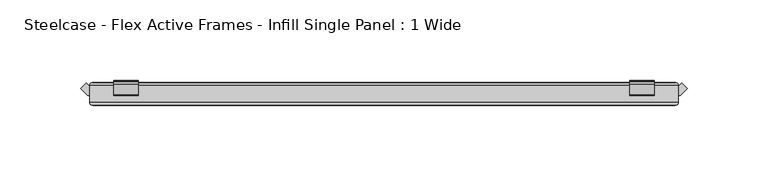
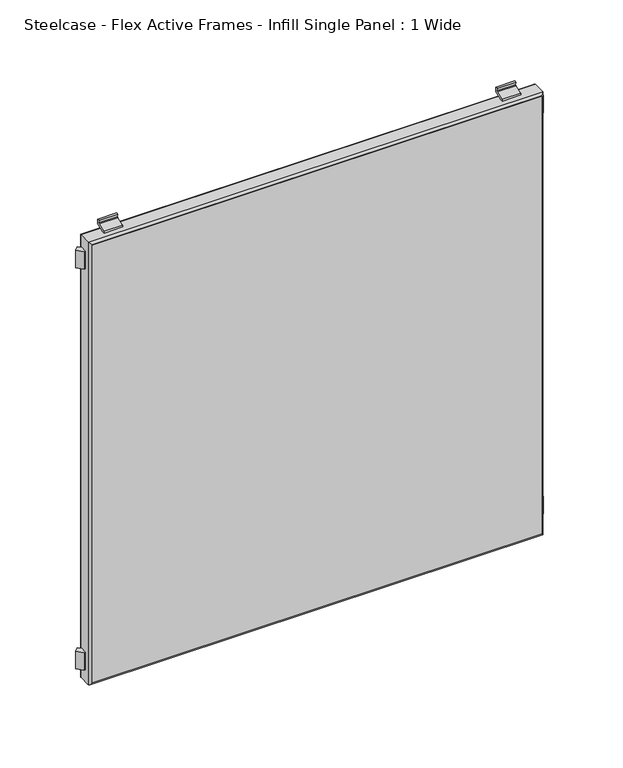
"""IFC4 building model written with IfcOpenShell, lengths in millimetres: furniture geometry, Steelcase - Flex Active Frames - Infill Single Panel : 1 Wide."""

import ifcopenshell
import ifcopenshell.guid

model = None  # the IFC model being written
_history = None  # IfcOwnerHistory: only IFC2X3 demands one
_inside = {}  # id of a spatial element -> (the spatial element, [elements in it])
_under = {}  # id of a project, library or spatial element -> (it, [spatial elements below it])
_declared = {}  # id of a project -> (the project, [libraries it declares])
_typed = {}  # id of a type object -> (the type object, [elements of that type])
_made_of = {}  # id of a material, layer set ... -> (it, [elements and type objects made of it])


def new_model(schema):
    """Start an empty IFC model of exactly this schema.

    Asked for "IFC4X3", IfcOpenShell would pick the latest addendum, in which some entities
    have other attributes; the version numbers below select the first issue.
    IFC2X3 requires an IfcOwnerHistory on every rooted entity: one is made here for all.
    """
    global model, _history
    if schema == "IFC4X3":
        model = ifcopenshell.file(schema_version=(4, 3, 0, 0))
    else:
        model = ifcopenshell.file(schema=schema)
    _inside.clear()
    _under.clear()
    _declared.clear()
    _typed.clear()
    _made_of.clear()
    _history = None
    if model.schema == "IFC2X3":
        org = make("IfcOrganization", Name="unknown")
        user = make(
            "IfcPersonAndOrganization",
            ThePerson=make("IfcPerson", FamilyName="unknown"),
            TheOrganization=org,
        )
        app = make(
            "IfcApplication",
            ApplicationDeveloper=org,
            Version="unknown",
            ApplicationFullName="unknown",
            ApplicationIdentifier="unknown",
        )
        _history = make(
            "IfcOwnerHistory",
            OwningUser=user,
            OwningApplication=app,
            ChangeAction="ADDED",
            CreationDate=0,
        )
    return model


def make(cls, **values):
    """One entity of the class cls with the attributes given. An attribute that is None is left unset."""
    return model.create_entity(
        cls, **{name: value for name, value in values.items() if value is not None}
    )


def rooted(cls, **values):
    """An entity with a GlobalId (a new one), such as an element, a storey or a relation."""
    return make(cls, GlobalId=ifcopenshell.guid.new(), OwnerHistory=_history, **values)


def si_unit(unit_type, name, prefix=None):
    """IfcSIUnit, for example si_unit("LENGTHUNIT", "METRE", prefix="MILLI")."""
    return make("IfcSIUnit", UnitType=unit_type, Prefix=prefix, Name=name)


def assignment(units):
    """IfcUnitAssignment: the units of a project."""
    return None if units is None else make("IfcUnitAssignment", Units=units)


def point(xyz):
    """IfcCartesianPoint."""
    return None if xyz is None else make("IfcCartesianPoint", Coordinates=xyz)


def direction(xyz):
    """IfcDirection."""
    return None if xyz is None else make("IfcDirection", DirectionRatios=xyz)


def frame(location, z_axis=None, x_axis=None):
    """IfcAxis2Placement3D, a coordinate frame: its origin and axes. An axis left out is left unset."""
    return make(
        "IfcAxis2Placement3D",
        Location=point(location),
        Axis=direction(z_axis),
        RefDirection=direction(x_axis),
    )


def frame_2d(location, x_axis=None):
    """IfcAxis2Placement2D, a coordinate frame in the plane: its origin and x axis."""
    return make(
        "IfcAxis2Placement2D", Location=point(location), RefDirection=direction(x_axis)
    )


def origin():
    """The frame at (0, 0, 0) with its axes left unset."""
    return frame((0.0, 0.0, 0.0))


def place(relative_to, where):
    """IfcLocalPlacement: puts the frame where relative to a parent placement (None: the world)."""
    return make(
        "IfcLocalPlacement", PlacementRelTo=relative_to, RelativePlacement=where
    )


def context(
    kind, dimensions, precision=None, world=None, true_north=None, identifier=None
):
    """IfcGeometricRepresentationContext, for example the 3D "Model" context."""
    return make(
        "IfcGeometricRepresentationContext",
        ContextIdentifier=identifier,
        ContextType=kind,
        CoordinateSpaceDimension=dimensions,
        Precision=precision,
        WorldCoordinateSystem=world,
        TrueNorth=true_north,
    )


def project(units=None, contexts=None):
    """IfcProject with its units and contexts."""
    return rooted(
        "IfcProject",
        Name="project",
        RepresentationContexts=contexts,
        UnitsInContext=assignment(units),
    )


def spatial(cls, under=None, at=None, **own):
    """A site, building, storey or space (cls), placed at a placement, below another one or the project."""
    s = rooted(cls, ObjectPlacement=at, **own)
    if under is not None:
        _under.setdefault(under.id(), (under, []))[1].append(s)
    return s


def polyline(points):
    """IfcPolyline through the points."""
    return make("IfcPolyline", Points=[point(p) for p in points])


def circle_curve(where, radius):
    """IfcCircle in the frame where."""
    return make("IfcCircle", Position=where, Radius=radius)


def ellipse_curve(where, semi_axis1, semi_axis2):
    """IfcEllipse in the frame where."""
    return make(
        "IfcEllipse", Position=where, SemiAxis1=semi_axis1, SemiAxis2=semi_axis2
    )


def trimmed(basis, trim1, trim2, sense, master):
    """IfcTrimmedCurve: the piece of a basis curve between two trims."""
    return make(
        "IfcTrimmedCurve",
        BasisCurve=basis,
        Trim1=trim1,
        Trim2=trim2,
        SenseAgreement=sense,
        MasterRepresentation=master,
    )


def segment(curve, same_sense, transition):
    """IfcCompositeCurveSegment."""
    return make(
        "IfcCompositeCurveSegment",
        Transition=transition,
        SameSense=same_sense,
        ParentCurve=curve,
    )


def composite_curve(segments, self_intersect=None):
    """IfcCompositeCurve: segments joined end to end."""
    return make("IfcCompositeCurve", Segments=segments, SelfIntersect=self_intersect)


def outline(outer, holes=None, kind="AREA"):
    """IfcArbitraryClosedProfileDef: a profile drawn as a closed curve; with holes, ...WithVoids."""
    if holes is None:
        return make("IfcArbitraryClosedProfileDef", ProfileType=kind, OuterCurve=outer)
    return make(
        "IfcArbitraryProfileDefWithVoids",
        ProfileType=kind,
        OuterCurve=outer,
        InnerCurves=holes,
    )


def extrude(swept, where, along, depth):
    """IfcExtrudedAreaSolid: the profile swept, set in the frame where, extruded along a direction by depth."""
    return make(
        "IfcExtrudedAreaSolid",
        SweptArea=swept,
        Position=where,
        ExtrudedDirection=direction(along),
        Depth=depth,
    )


def shape(context_of_items, identifier, shape_type, items):
    """IfcShapeRepresentation: the items that make up one representation, for example the "Body"."""
    return make(
        "IfcShapeRepresentation",
        ContextOfItems=context_of_items,
        RepresentationIdentifier=identifier,
        RepresentationType=shape_type,
        Items=items,
    )


def source(mapping_origin, context_of_items, identifier, shape_type, items):
    """IfcRepresentationMap: a shape defined once, which mapped items show again and again."""
    return make(
        "IfcRepresentationMap",
        MappingOrigin=mapping_origin,
        MappedRepresentation=shape(context_of_items, identifier, shape_type, items),
    )


def transform(
    local_origin,
    x_axis=None,
    y_axis=None,
    z_axis=None,
    scale=None,
    scale2=None,
    scale3=None,
    uniform=True,
):
    """IfcCartesianTransformationOperator3D, or its non-uniform kind. x_axis, y_axis, z_axis: its Axis1, 2, 3."""
    if uniform:
        return make(
            "IfcCartesianTransformationOperator3D",
            Axis1=direction(x_axis),
            Axis2=direction(y_axis),
            LocalOrigin=point(local_origin),
            Scale=scale,
            Axis3=direction(z_axis),
        )
    return make(
        "IfcCartesianTransformationOperator3DnonUniform",
        Axis1=direction(x_axis),
        Axis2=direction(y_axis),
        LocalOrigin=point(local_origin),
        Scale=scale,
        Axis3=direction(z_axis),
        Scale2=scale2,
        Scale3=scale3,
    )


def mapped(mapping_source, mapping_target):
    """IfcMappedItem: shows the shape of a source again, moved by a transform."""
    return make(
        "IfcMappedItem", MappingSource=mapping_source, MappingTarget=mapping_target
    )


def made_of(thing, what):
    """Note that an element or type object is made of a material, layer set ...; save() writes the relation."""
    if what is not None:
        _made_of.setdefault(what.id(), (what, []))[1].append(thing)
    return thing


def element(
    cls,
    number,
    at=None,
    inside=None,
    cuts=None,
    type_object=None,
    material=None,
    context=None,
    identifier="Body",
    shape_type=None,
    held_by="IfcProductDefinitionShape",
    body=None,
    shapes=None,
    **own,
):
    """One element of the class cls, such as IfcWall. Its Tag is "e" and its number.

    at: its placement. inside: the storey or other place that contains it. cuts: it is an
    opening in that element (IfcRelVoidsElement). A single representation is given by context,
    identifier, shape_type and body (its items); several are given by shapes. held_by: the class
    of the entity that holds the representations. save() writes the other relations.
    """
    e = rooted(cls, Tag="e%d" % number, ObjectPlacement=at, **own)
    if body is not None:
        shapes = [shape(context, identifier, shape_type, body)]
    if shapes is not None:
        e.Representation = make(held_by, Representations=shapes)
    if inside is not None:
        _inside.setdefault(inside.id(), (inside, []))[1].append(e)
    if cuts is not None:
        rooted(
            "IfcRelVoidsElement", RelatingBuildingElement=cuts, RelatedOpeningElement=e
        )
    if type_object is not None:
        _typed.setdefault(type_object.id(), (type_object, []))[1].append(e)
    return made_of(e, material)


def aggregate(whole, parts):
    """IfcRelAggregates: a whole, such as a stair, and the parts it consists of."""
    return rooted("IfcRelAggregates", RelatingObject=whole, RelatedObjects=parts)


def save(model, path):
    """Write the relations noted so far, then the file.

    IfcRelAggregates (storeys below a building ...), IfcRelContainedInSpatialStructure (elements
    in a storey), IfcRelDefinesByType, IfcRelAssociatesMaterial and IfcRelDeclares: one each for
    every whole, place, type object, material and project.
    """
    for whole, parts in _under.values():
        aggregate(whole, parts)
    for where, things in _inside.values():
        rooted(
            "IfcRelContainedInSpatialStructure",
            RelatedElements=things,
            RelatingStructure=where,
        )
    for kind, things in _typed.values():
        rooted("IfcRelDefinesByType", RelatedObjects=things, RelatingType=kind)
    for what, things in _made_of.values():
        rooted("IfcRelAssociatesMaterial", RelatedObjects=things, RelatingMaterial=what)
    for by, libraries in _declared.values():
        rooted("IfcRelDeclares", RelatingContext=by, RelatedDefinitions=libraries)
    model.write(path)


def plane_surface(at):
    """IfcPlane: the flat surface through the origin of the frame at, square to its z axis."""
    return make("IfcPlane", Position=at)


def cylinder_surface(at, radius):
    """IfcCylindricalSurface: all points at the distance radius from the z axis of the frame at."""
    return make("IfcCylindricalSurface", Position=at, Radius=radius)


def advanced_brep(points, edges, surfaces, faces):
    """IfcAdvancedBrep: a solid bounded by faces that lie on surfaces and meet in shared edges.

    An edge is (start, end): straight between two places in points (the first is 0);
    or (start, end, curve); or (start, end, curve, False) where it runs against its curve.
    A face is (place in surfaces, loops), or (place, loops, False) where it looks against
    its surface's normal. A loop lists edges by number (the first is 1), with a minus sign
    where the edge is run from its end to its start. The first loop is the outer one.
    """
    corners = [point(p) for p in points]
    vertices = [make("IfcVertexPoint", VertexGeometry=c) for c in corners]
    made = []
    for start, end, *more in edges:
        made.append(
            make(
                "IfcEdgeCurve",
                EdgeStart=vertices[start],
                EdgeEnd=vertices[end],
                EdgeGeometry=more[0] if more else make("IfcPolyline", Points=[corners[start], corners[end]]),
                SameSense=more[1] if len(more) > 1 else True,
            )
        )
    hull = []
    for where, loops, *sense in faces:
        bounds = []
        for j, loop in enumerate(loops):
            ring = [make("IfcOrientedEdge", EdgeElement=made[abs(k) - 1], Orientation=k > 0) for k in loop]
            bounds.append(
                make(
                    "IfcFaceOuterBound" if j == 0 else "IfcFaceBound",
                    Bound=make("IfcEdgeLoop", EdgeList=ring),
                    Orientation=True,
                )
            )
        hull.append(make("IfcAdvancedFace", Bounds=bounds, FaceSurface=surfaces[where], SameSense=sense[0] if sense else True))
    return make("IfcAdvancedBrep", Outer=make("IfcClosedShell", CfsFaces=hull))


def steelcase_flex_active_frames_infill_single_panel_1_wide_734beb24(model_context):
    return source(origin(), model_context, "Body", "SolidModel", [
        extrude(outline(composite_curve([segment(polyline([(-5.9111802, 381.5885542), (-7.999907, 381.5885542)]), True, "CONTINUOUS"), segment(trimmed(circle_curve(frame_2d((-6.994052, 381.7229562)), 1.0147947), [point((-7.999907, 381.5885542))], [point((-7.3392807, 382.6772232))], False, "CARTESIAN"), True, "CONTINUOUS"), segment(polyline([(-7.3392807, 382.6772232), (-0.8009038, 385.0426363)]), True, "CONTINUOUS"), segment(trimmed(circle_curve(frame_2d((-1.0061566, 385.6099875)), 0.6033374), [point((-0.8009038, 385.0426363))], [point((-0.4119794, 385.7147232))], True, "CARTESIAN"), True, "CONTINUOUS"), segment(polyline([(-0.4119794, 385.7147232), (-0.7999207, 387.9155571), (0.6936424, 388.1772262), (1.2842404, 384.7316172)]), True, "CONTINUOUS"), segment(trimmed(circle_curve(frame_2d((0.6921967, 384.6301374)), 0.6006779), [point((1.2842404, 384.7316172))], [point((0.8975617, 384.065656))], False, "CARTESIAN"), True, "CONTINUOUS"), segment(polyline([(0.8975617, 384.065656), (-5.9111802, 381.5885542)]), True, "CONTINUOUS")], self_intersect=False)), frame((334.4757686, 0.0, 0.0), z_axis=(1.0, 0.0, 0.0), x_axis=(0.0, 1.0, 0.0)), (0.0, 0.0, 1.0), 15.0034447),
        extrude(outline(composite_curve([segment(polyline([(-5.9110829, 6.5887186), (0.8825145, 4.1171655)]), True, "CONTINUOUS"), segment(trimmed(circle_curve(frame_2d((0.6705511, 3.5345385)), 0.6199861), [point((0.8825145, 4.1171655))], [point((1.2816187, 3.4297567))], False, "CARTESIAN"), True, "CONTINUOUS"), segment(polyline([(1.2816187, 3.4297567), (0.6935028, -2.35e-05), (-0.7999445, 0.2616253), (-0.4077045, 2.4868687)]), True, "CONTINUOUS"), segment(trimmed(circle_curve(frame_2d((-0.9730442, 2.5865202)), 0.5740553), [point((-0.4077045, 2.4868687))], [point((-0.7777558, 3.1263368))], True, "CARTESIAN"), True, "CONTINUOUS"), segment(polyline([(-0.7777558, 3.1263368), (-7.3392807, 5.5000882)]), True, "CONTINUOUS"), segment(trimmed(circle_curve(frame_2d((-6.9941469, 6.4541073)), 1.0145294), [point((-7.3392807, 5.5000882))], [point((-7.9997063, 6.5887186))], False, "CARTESIAN"), True, "CONTINUOUS"), segment(polyline([(-7.9997063, 6.5887186), (-5.9110829, 6.5887186)]), True, "CONTINUOUS")], self_intersect=False)), frame((334.4757686, 0.0, 0.0), z_axis=(1.0, 0.0, 0.0), x_axis=(0.0, 1.0, 0.0)), (0.0, 0.0, 1.0), 15.0034447),
        extrude(outline(composite_curve([segment(polyline([(-5.9111802, 381.5885542), (-7.999907, 381.5885542)]), True, "CONTINUOUS"), segment(trimmed(circle_curve(frame_2d((-6.994052, 381.7229562)), 1.0147947), [point((-7.999907, 381.5885542))], [point((-7.3392807, 382.6772232))], False, "CARTESIAN"), True, "CONTINUOUS"), segment(polyline([(-7.3392807, 382.6772232), (-0.8009038, 385.0426363)]), True, "CONTINUOUS"), segment(trimmed(circle_curve(frame_2d((-1.0061566, 385.6099875)), 0.6033374), [point((-0.8009038, 385.0426363))], [point((-0.4119794, 385.7147232))], True, "CARTESIAN"), True, "CONTINUOUS"), segment(polyline([(-0.4119794, 385.7147232), (-0.7999207, 387.9155571), (0.6936424, 388.1772262), (1.2842404, 384.7316172)]), True, "CONTINUOUS"), segment(trimmed(circle_curve(frame_2d((0.6921967, 384.6301374)), 0.6006779), [point((1.2842404, 384.7316172))], [point((0.8975617, 384.065656))], False, "CARTESIAN"), True, "CONTINUOUS"), segment(polyline([(0.8975617, 384.065656), (-5.9111802, 381.5885542)]), True, "CONTINUOUS")], self_intersect=False)), frame((15.0199771, 0.0, 0.0), z_axis=(1.0, 0.0, 0.0), x_axis=(0.0, 1.0, 0.0)), (0.0, 0.0, 1.0), 15.0034326),
        extrude(outline(composite_curve([segment(polyline([(-5.9110829, 6.5887186), (0.8825145, 4.1171655)]), True, "CONTINUOUS"), segment(trimmed(circle_curve(frame_2d((0.6705511, 3.5345385)), 0.6199861), [point((0.8825145, 4.1171655))], [point((1.2816187, 3.4297567))], False, "CARTESIAN"), True, "CONTINUOUS"), segment(polyline([(1.2816187, 3.4297567), (0.6935028, -2.35e-05), (-0.7999445, 0.2616253), (-0.4077045, 2.4868687)]), True, "CONTINUOUS"), segment(trimmed(circle_curve(frame_2d((-0.9730442, 2.5865202)), 0.5740553), [point((-0.4077045, 2.4868687))], [point((-0.7777558, 3.1263368))], True, "CARTESIAN"), True, "CONTINUOUS"), segment(polyline([(-0.7777558, 3.1263368), (-7.3392807, 5.5000882)]), True, "CONTINUOUS"), segment(trimmed(circle_curve(frame_2d((-6.9941469, 6.4541073)), 1.0145294), [point((-7.3392807, 5.5000882))], [point((-7.9997063, 6.5887186))], False, "CARTESIAN"), True, "CONTINUOUS"), segment(polyline([(-7.9997063, 6.5887186), (-5.9110829, 6.5887186)]), True, "CONTINUOUS")], self_intersect=False)), frame((15.0199771, 0.0, 0.0), z_axis=(1.0, 0.0, 0.0), x_axis=(0.0, 1.0, 0.0)), (0.0, 0.0, 1.0), 15.0034326),
        extrude(outline(polyline([(364.4994689, -2.5030965), (366.7031135, -0.3282745), (369.9438071, -3.5722626), (365.5369056, -7.9998993), (364.4994689, -7.9998993), (364.4994689, -2.5030965)])), frame((0.0, 0.0, 16.6556237), z_axis=(0.0, 0.0, 1.0), x_axis=(1.0, 0.0, 0.0)), (0.0, 0.0, 1.0), 14.9643454),
        extrude(outline(polyline([(0.0, -7.9997055), (-1.0377395, -7.9997055), (-5.4446047, -3.5720566), (-2.2038989, -0.3280807), (0.0, -2.5031537), (0.0, -7.9997055)])), frame((0.0, 0.0, 16.6556237), z_axis=(0.0, 0.0, 1.0), x_axis=(1.0, 0.0, 0.0)), (0.0, 0.0, 1.0), 14.9643454),
        extrude(outline(polyline([(364.4994689, -2.5030965), (366.7031135, -0.3282745), (369.9438071, -3.5722626), (365.5369056, -7.9998993), (364.4994689, -7.9998993), (364.4994689, -2.5030965)])), frame((0.0, 0.0, 356.5573544), z_axis=(0.0, 0.0, 1.0), x_axis=(1.0, 0.0, 0.0)), (0.0, 0.0, 1.0), 14.9650265),
        extrude(outline(polyline([(0.0, -7.9997055), (-1.0377395, -7.9997055), (-5.4446047, -3.5720566), (-2.2038989, -0.3280807), (0.0, -2.5031537), (0.0, -7.9997055)])), frame((0.0, 0.0, 356.5573544), z_axis=(0.0, 0.0, 1.0), x_axis=(1.0, 0.0, 0.0)), (0.0, 0.0, 1.0), 14.9650265),
        extrude(outline(polyline([(362.5670312, -13.9997269), (1.9324377, -13.9997269), (1.9324377, 0.0), (362.5670312, 0.0), (362.5670312, -13.9997269)])), frame((0.0, 0.0, 8.5211562), z_axis=(0.0, 0.0, 1.0), x_axis=(1.0, 0.0, 0.0)), (0.0, 0.0, 1.0), 371.1349603),
        advanced_brep(
        [(0.0, -12.0672892, 381.5885542), (0.0, -1.9324377, 381.5885542), (0.0, -1.9324377, 6.5887186), (0.0, -12.0672892, 6.5887186), (1.9324377, 0.0, 379.6561165), (1.9324377, -13.9997269, 379.6561165), (1.9324377, -13.9997269, 8.5211562), (1.9324377, 0.0, 8.5211562), (364.4994689, -1.9324377, 6.5887186), (364.4994689, -12.0672892, 6.5887186), (362.5670312, -13.9997269, 8.5211562), (362.5670312, 0.0, 8.5211562), (364.4994689, -1.9324377, 381.5885542), (364.4994689, -12.0672892, 381.5885542), (362.5670312, -13.9997269, 379.6561165), (362.5670312, 0.0, 379.6561165)],
        [
            (0, 1),
            (1, 2),
            (2, 3),
            (3, 0),
            (4, 5),
            (5, 6),
            (6, 7),
            (7, 4),
            (2, 8),
            (8, 9),
            (9, 3),
            (6, 10),
            (10, 11),
            (11, 7),
            (8, 12),
            (12, 13),
            (13, 9),
            (10, 14),
            (14, 15),
            (15, 11),
            (12, 1),
            (0, 13),
            (14, 5),
            (4, 15),
            (1, 4, ellipse_curve(frame((1.9324377, -1.9324377, 379.6561165), z_axis=(-0.7071067811865475, 0.0, -0.7071067811865475), x_axis=(-0.7071067811865474, 0.0, 0.7071067811865476)), 2.7328796, 1.9324377)),
            (7, 2, ellipse_curve(frame((1.9324377, -1.9324377, 8.5211562), z_axis=(-0.7071067811865475, 0.0, 0.7071067811865475), x_axis=(0.7071067811865474, 0.0, 0.7071067811865476)), 2.7328796, 1.9324377)),
            (5, 0, ellipse_curve(frame((1.9324377, -12.0672892, 379.6561165), z_axis=(-0.7071067811865475, 0.0, -0.7071067811865475), x_axis=(-0.7071067811865474, 0.0, 0.7071067811865476)), 2.7328796, 1.9324377)),
            (3, 6, ellipse_curve(frame((1.9324377, -12.0672892, 8.5211562), z_axis=(-0.7071067811865475, 0.0, 0.7071067811865475), x_axis=(0.7071067811865474, 0.0, 0.7071067811865476)), 2.7328796, 1.9324377)),
            (11, 8, ellipse_curve(frame((362.5670312, -1.9324377, 8.5211562), z_axis=(-0.7071067811865475, 0.0, -0.7071067811865475), x_axis=(-0.7071067811865476, 0.0, 0.7071067811865474)), 2.7328796, 1.9324377)),
            (9, 10, ellipse_curve(frame((362.5670312, -12.0672892, 8.5211562), z_axis=(-0.7071067811865475, 0.0, -0.7071067811865475), x_axis=(-0.7071067811865476, 0.0, 0.7071067811865474)), 2.7328796, 1.9324377)),
            (15, 12, ellipse_curve(frame((362.5670312, -1.9324377, 379.6561165), z_axis=(0.7071067811865475, 0.0, -0.7071067811865475), x_axis=(-0.7071067811865474, 0.0, -0.7071067811865476)), 2.7328796, 1.9324377)),
            (13, 14, ellipse_curve(frame((362.5670312, -12.0672892, 379.6561165), z_axis=(0.7071067811865475, 0.0, -0.7071067811865475), x_axis=(-0.7071067811865474, 0.0, -0.7071067811865476)), 2.7328796, 1.9324377)),
        ],
        [
            plane_surface(frame((0.0, -1.9324377, 381.5885542), z_axis=(-1.0, 0.0, 0.0), x_axis=(0.0, 0.0, -1.0))),
            plane_surface(frame((1.9324377, -13.9997269, 379.6561165), z_axis=(1.0, 0.0, 0.0), x_axis=(0.0, 0.0, -1.0))),
            plane_surface(frame((0.0, -1.9324377, 6.5887186), z_axis=(0.0, 0.0, -1.0), x_axis=(1.0, 0.0, 0.0))),
            plane_surface(frame((1.9324377, -13.9997269, 8.5211562), z_axis=(0.0, 0.0, 1.0), x_axis=(1.0, 0.0, 0.0))),
            plane_surface(frame((364.4994689, -1.9324377, 6.5887186), z_axis=(1.0, 0.0, 0.0), x_axis=(0.0, 0.0, 1.0))),
            plane_surface(frame((362.5670312, -13.9997269, 8.5211562), z_axis=(-1.0, 0.0, 0.0), x_axis=(0.0, 0.0, 1.0))),
            plane_surface(frame((364.4994689, -1.9324377, 381.5885542), z_axis=(0.0, 0.0, 1.0), x_axis=(-1.0, 0.0, 0.0))),
            plane_surface(frame((362.5670312, -13.9997269, 379.6561165), z_axis=(0.0, 0.0, -1.0), x_axis=(-1.0, 0.0, 0.0))),
            cylinder_surface(frame((1.9324377, -1.9324377, 381.5885542), z_axis=(0.0, 0.0, 1.0), x_axis=(1.0, 0.0, 0.0)), 1.9324377),
            cylinder_surface(frame((1.9324377, -12.0672892, 381.5885542), z_axis=(0.0, 0.0, 1.0), x_axis=(1.0, 0.0, 0.0)), 1.9324377),
            cylinder_surface(frame((0.0, -1.9324377, 8.5211562), z_axis=(-1.0, 0.0, 0.0), x_axis=(0.0, 0.0, 1.0)), 1.9324377),
            cylinder_surface(frame((0.0, -12.0672892, 8.5211562), z_axis=(-1.0, 0.0, 0.0), x_axis=(0.0, 0.0, 1.0)), 1.9324377),
            cylinder_surface(frame((362.5670312, -1.9324377, 6.5887186), z_axis=(0.0, 0.0, -1.0), x_axis=(-1.0, 0.0, 0.0)), 1.9324377),
            cylinder_surface(frame((362.5670312, -12.0672892, 6.5887186), z_axis=(0.0, 0.0, -1.0), x_axis=(-1.0, 0.0, 0.0)), 1.9324377),
            cylinder_surface(frame((364.4994689, -1.9324377, 379.6561165), z_axis=(1.0, 0.0, 0.0), x_axis=(0.0, 0.0, -1.0)), 1.9324377),
            cylinder_surface(frame((364.4994689, -12.0672892, 379.6561165), z_axis=(1.0, 0.0, 0.0), x_axis=(0.0, 0.0, -1.0)), 1.9324377),
        ],
        [
            (0, [[1, 2, 3, 4]]),
            (1, [[5, 6, 7, 8]]),
            (2, [[-3, 9, 10, 11]]),
            (3, [[-7, 12, 13, 14]]),
            (4, [[-10, 15, 16, 17]]),
            (5, [[-13, 18, 19, 20]]),
            (6, [[-16, 21, -1, 22]]),
            (7, [[-19, 23, -5, 24]]),
            (8, [[25, -8, 26, -2]]),
            (9, [[27, -4, 28, -6]]),
            (10, [[-26, -14, 29, -9]]),
            (11, [[-28, -11, 30, -12]]),
            (12, [[-29, -20, 31, -15]]),
            (13, [[-30, -17, 32, -18]]),
            (14, [[-31, -24, -25, -21]]),
            (15, [[-32, -22, -27, -23]]),
        ],
    ),
    ])


if __name__ == "__main__":
    model = new_model("IFC4")
    model_context = context("Model", 3, world=origin())
    ifc_project = project(units=[si_unit("LENGTHUNIT", "METRE", prefix="MILLI")], contexts=[model_context])
    site = spatial("IfcSite", under=ifc_project)
    building = spatial("IfcBuilding", under=site)
    placement = place(None, origin())
    steelcase_flex_active_frames_infill_single_panel_1_wide_shape = steelcase_flex_active_frames_infill_single_panel_1_wide_734beb24(model_context)
    element("IfcFurniture", 1, ObjectType="Steelcase - Flex Active Frames - Infill Single Panel : 1 Wide", at=placement, inside=building, context=model_context, shape_type="MappedRepresentation", body=[
        mapped(steelcase_flex_active_frames_infill_single_panel_1_wide_shape, transform((0.0, 0.0, 0.0), x_axis=(1.0, 0.0, 0.0), y_axis=(0.0, 1.0, 0.0), z_axis=(0.0, 0.0, 1.0))),
    ])
    save(model, "model.ifc")
